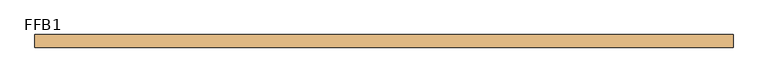
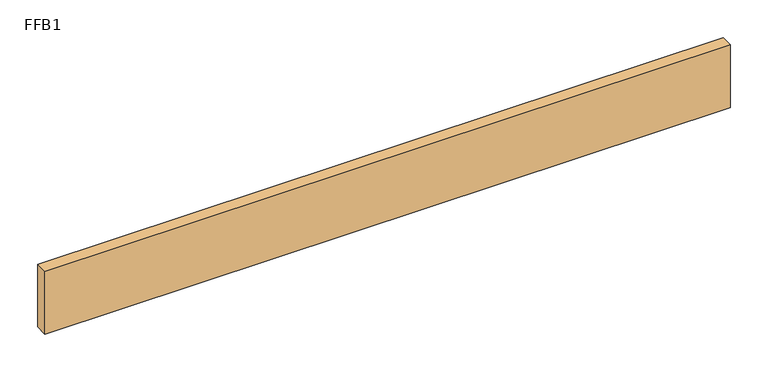
"""IFC4 building model written with IfcOpenShell, lengths in millimetres: door geometry, FFB1."""

from ifc_helpers import new_model, si_unit, origin, origin_with_axes, place, context, project, spatial, polyline, outline, extrude, source, transform, mapped, element, save


def ffb1_98a4f325(model_context):
    return source(origin(), model_context, "Body", "SweptSolid", [
        extrude(outline(polyline([(525.1133888, 0.0), (-525.1133888, 0.0), (-525.1133888, 19.05), (525.1133888, 19.05), (525.1133888, 0.0)])), origin_with_axes(), (0.0, 0.0, 1.0), 101.6),
    ])


if __name__ == "__main__":
    model = new_model("IFC4")
    model_context = context("Model", 3, world=origin())
    ifc_project = project(units=[si_unit("LENGTHUNIT", "METRE", prefix="MILLI")], contexts=[model_context])
    site = spatial("IfcSite", under=ifc_project)
    building = spatial("IfcBuilding", under=site)
    placement = place(None, origin())
    ffb1_shape = ffb1_98a4f325(model_context)
    element("IfcDoor", 1, ObjectType="FFB1", at=placement, inside=building, context=model_context, shape_type="MappedRepresentation", body=[
        mapped(ffb1_shape, transform((0.0, 0.0, 0.0), x_axis=(1.0, 0.0, 0.0), y_axis=(0.0, 1.0, 0.0), z_axis=(0.0, 0.0, 1.0))),
    ])
    save(model, "model.ifc")
